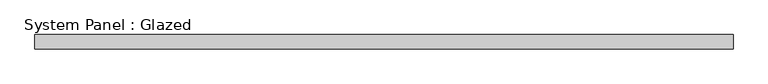
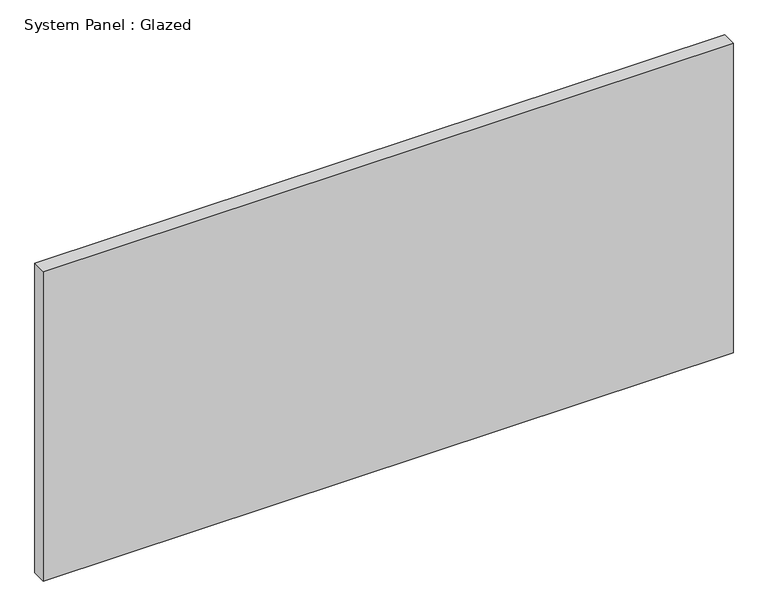
"""IFC4 building model written with IfcOpenShell, lengths in millimetres: plate geometry, System Panel : Glazed."""

from ifc_helpers import new_model, si_unit, origin, origin_with_axes, place, context, project, spatial, polyline, outline, extrude, source, transform, mapped, element, save


def system_panel_glazed_23789d2e(model_context):
    return source(origin(), model_context, "Body", "SweptSolid", [
        extrude(outline(polyline([(615.95, -44.45), (-615.95, -44.45), (-615.95, -19.05), (615.95, -19.05), (615.95, -44.45)])), origin_with_axes(), (0.0, 0.0, 1.0), 584.2),
    ])


if __name__ == "__main__":
    model = new_model("IFC4")
    model_context = context("Model", 3, world=origin())
    ifc_project = project(units=[si_unit("LENGTHUNIT", "METRE", prefix="MILLI")], contexts=[model_context])
    site = spatial("IfcSite", under=ifc_project)
    building = spatial("IfcBuilding", under=site)
    placement = place(None, origin())
    system_panel_glazed_shape = system_panel_glazed_23789d2e(model_context)
    element("IfcPlate", 1, ObjectType="System Panel : Glazed", at=placement, inside=building, context=model_context, shape_type="MappedRepresentation", body=[
        mapped(system_panel_glazed_shape, transform((0.0, 0.0, 0.0), x_axis=(1.0, 0.0, 0.0), y_axis=(0.0, 1.0, 0.0), z_axis=(0.0, 0.0, 1.0))),
    ])
    save(model, "model.ifc")
